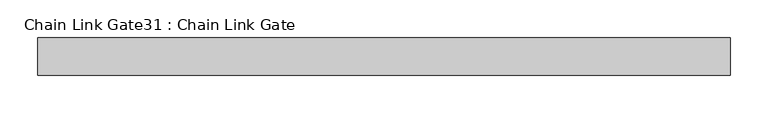
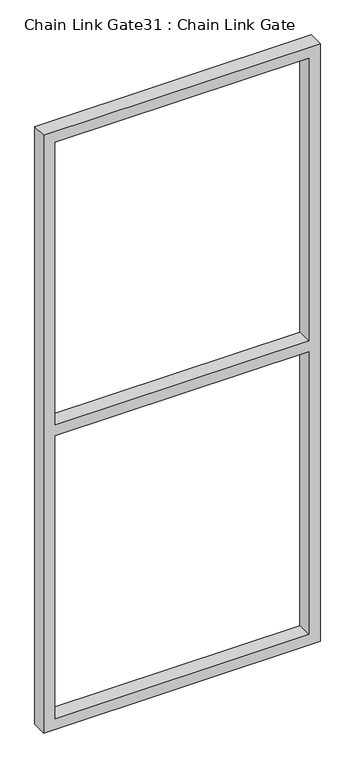
"""IFC4 building model written with IfcOpenShell, lengths in millimetres: proxy geometry, Chain Link Gate31 : Chain Link Gate."""

import ifcopenshell
import ifcopenshell.guid

model = None  # the IFC model being written
_history = None  # IfcOwnerHistory: only IFC2X3 demands one
_inside = {}  # id of a spatial element -> (the spatial element, [elements in it])
_under = {}  # id of a project, library or spatial element -> (it, [spatial elements below it])
_declared = {}  # id of a project -> (the project, [libraries it declares])
_typed = {}  # id of a type object -> (the type object, [elements of that type])
_made_of = {}  # id of a material, layer set ... -> (it, [elements and type objects made of it])


def new_model(schema):
    """Start an empty IFC model of exactly this schema.

    Asked for "IFC4X3", IfcOpenShell would pick the latest addendum, in which some entities
    have other attributes; the version numbers below select the first issue.
    IFC2X3 requires an IfcOwnerHistory on every rooted entity: one is made here for all.
    """
    global model, _history
    if schema == "IFC4X3":
        model = ifcopenshell.file(schema_version=(4, 3, 0, 0))
    else:
        model = ifcopenshell.file(schema=schema)
    _inside.clear()
    _under.clear()
    _declared.clear()
    _typed.clear()
    _made_of.clear()
    _history = None
    if model.schema == "IFC2X3":
        org = make("IfcOrganization", Name="unknown")
        user = make(
            "IfcPersonAndOrganization",
            ThePerson=make("IfcPerson", FamilyName="unknown"),
            TheOrganization=org,
        )
        app = make(
            "IfcApplication",
            ApplicationDeveloper=org,
            Version="unknown",
            ApplicationFullName="unknown",
            ApplicationIdentifier="unknown",
        )
        _history = make(
            "IfcOwnerHistory",
            OwningUser=user,
            OwningApplication=app,
            ChangeAction="ADDED",
            CreationDate=0,
        )
    return model


def make(cls, **values):
    """One entity of the class cls with the attributes given. An attribute that is None is left unset."""
    return model.create_entity(
        cls, **{name: value for name, value in values.items() if value is not None}
    )


def rooted(cls, **values):
    """An entity with a GlobalId (a new one), such as an element, a storey or a relation."""
    return make(cls, GlobalId=ifcopenshell.guid.new(), OwnerHistory=_history, **values)


def si_unit(unit_type, name, prefix=None):
    """IfcSIUnit, for example si_unit("LENGTHUNIT", "METRE", prefix="MILLI")."""
    return make("IfcSIUnit", UnitType=unit_type, Prefix=prefix, Name=name)


def assignment(units):
    """IfcUnitAssignment: the units of a project."""
    return None if units is None else make("IfcUnitAssignment", Units=units)


def point(xyz):
    """IfcCartesianPoint."""
    return None if xyz is None else make("IfcCartesianPoint", Coordinates=xyz)


def direction(xyz):
    """IfcDirection."""
    return None if xyz is None else make("IfcDirection", DirectionRatios=xyz)


def frame(location, z_axis=None, x_axis=None):
    """IfcAxis2Placement3D, a coordinate frame: its origin and axes. An axis left out is left unset."""
    return make(
        "IfcAxis2Placement3D",
        Location=point(location),
        Axis=direction(z_axis),
        RefDirection=direction(x_axis),
    )


def origin():
    """The frame at (0, 0, 0) with its axes left unset."""
    return frame((0.0, 0.0, 0.0))


def place(relative_to, where):
    """IfcLocalPlacement: puts the frame where relative to a parent placement (None: the world)."""
    return make(
        "IfcLocalPlacement", PlacementRelTo=relative_to, RelativePlacement=where
    )


def context(
    kind, dimensions, precision=None, world=None, true_north=None, identifier=None
):
    """IfcGeometricRepresentationContext, for example the 3D "Model" context."""
    return make(
        "IfcGeometricRepresentationContext",
        ContextIdentifier=identifier,
        ContextType=kind,
        CoordinateSpaceDimension=dimensions,
        Precision=precision,
        WorldCoordinateSystem=world,
        TrueNorth=true_north,
    )


def project(units=None, contexts=None):
    """IfcProject with its units and contexts."""
    return rooted(
        "IfcProject",
        Name="project",
        RepresentationContexts=contexts,
        UnitsInContext=assignment(units),
    )


def spatial(cls, under=None, at=None, **own):
    """A site, building, storey or space (cls), placed at a placement, below another one or the project."""
    s = rooted(cls, ObjectPlacement=at, **own)
    if under is not None:
        _under.setdefault(under.id(), (under, []))[1].append(s)
    return s


def polyline(points):
    """IfcPolyline through the points."""
    return make("IfcPolyline", Points=[point(p) for p in points])


def outline(outer, holes=None, kind="AREA"):
    """IfcArbitraryClosedProfileDef: a profile drawn as a closed curve; with holes, ...WithVoids."""
    if holes is None:
        return make("IfcArbitraryClosedProfileDef", ProfileType=kind, OuterCurve=outer)
    return make(
        "IfcArbitraryProfileDefWithVoids",
        ProfileType=kind,
        OuterCurve=outer,
        InnerCurves=holes,
    )


def extrude(swept, where, along, depth):
    """IfcExtrudedAreaSolid: the profile swept, set in the frame where, extruded along a direction by depth."""
    return make(
        "IfcExtrudedAreaSolid",
        SweptArea=swept,
        Position=where,
        ExtrudedDirection=direction(along),
        Depth=depth,
    )


def shape(context_of_items, identifier, shape_type, items):
    """IfcShapeRepresentation: the items that make up one representation, for example the "Body"."""
    return make(
        "IfcShapeRepresentation",
        ContextOfItems=context_of_items,
        RepresentationIdentifier=identifier,
        RepresentationType=shape_type,
        Items=items,
    )


def source(mapping_origin, context_of_items, identifier, shape_type, items):
    """IfcRepresentationMap: a shape defined once, which mapped items show again and again."""
    return make(
        "IfcRepresentationMap",
        MappingOrigin=mapping_origin,
        MappedRepresentation=shape(context_of_items, identifier, shape_type, items),
    )


def transform(
    local_origin,
    x_axis=None,
    y_axis=None,
    z_axis=None,
    scale=None,
    scale2=None,
    scale3=None,
    uniform=True,
):
    """IfcCartesianTransformationOperator3D, or its non-uniform kind. x_axis, y_axis, z_axis: its Axis1, 2, 3."""
    if uniform:
        return make(
            "IfcCartesianTransformationOperator3D",
            Axis1=direction(x_axis),
            Axis2=direction(y_axis),
            LocalOrigin=point(local_origin),
            Scale=scale,
            Axis3=direction(z_axis),
        )
    return make(
        "IfcCartesianTransformationOperator3DnonUniform",
        Axis1=direction(x_axis),
        Axis2=direction(y_axis),
        LocalOrigin=point(local_origin),
        Scale=scale,
        Axis3=direction(z_axis),
        Scale2=scale2,
        Scale3=scale3,
    )


def mapped(mapping_source, mapping_target):
    """IfcMappedItem: shows the shape of a source again, moved by a transform."""
    return make(
        "IfcMappedItem", MappingSource=mapping_source, MappingTarget=mapping_target
    )


def made_of(thing, what):
    """Note that an element or type object is made of a material, layer set ...; save() writes the relation."""
    if what is not None:
        _made_of.setdefault(what.id(), (what, []))[1].append(thing)
    return thing


def element(
    cls,
    number,
    at=None,
    inside=None,
    cuts=None,
    type_object=None,
    material=None,
    context=None,
    identifier="Body",
    shape_type=None,
    held_by="IfcProductDefinitionShape",
    body=None,
    shapes=None,
    **own,
):
    """One element of the class cls, such as IfcWall. Its Tag is "e" and its number.

    at: its placement. inside: the storey or other place that contains it. cuts: it is an
    opening in that element (IfcRelVoidsElement). A single representation is given by context,
    identifier, shape_type and body (its items); several are given by shapes. held_by: the class
    of the entity that holds the representations. save() writes the other relations.
    """
    e = rooted(cls, Tag="e%d" % number, ObjectPlacement=at, **own)
    if body is not None:
        shapes = [shape(context, identifier, shape_type, body)]
    if shapes is not None:
        e.Representation = make(held_by, Representations=shapes)
    if inside is not None:
        _inside.setdefault(inside.id(), (inside, []))[1].append(e)
    if cuts is not None:
        rooted(
            "IfcRelVoidsElement", RelatingBuildingElement=cuts, RelatedOpeningElement=e
        )
    if type_object is not None:
        _typed.setdefault(type_object.id(), (type_object, []))[1].append(e)
    return made_of(e, material)


def aggregate(whole, parts):
    """IfcRelAggregates: a whole, such as a stair, and the parts it consists of."""
    return rooted("IfcRelAggregates", RelatingObject=whole, RelatedObjects=parts)


def save(model, path):
    """Write the relations noted so far, then the file.

    IfcRelAggregates (storeys below a building ...), IfcRelContainedInSpatialStructure (elements
    in a storey), IfcRelDefinesByType, IfcRelAssociatesMaterial and IfcRelDeclares: one each for
    every whole, place, type object, material and project.
    """
    for whole, parts in _under.values():
        aggregate(whole, parts)
    for where, things in _inside.values():
        rooted(
            "IfcRelContainedInSpatialStructure",
            RelatedElements=things,
            RelatingStructure=where,
        )
    for kind, things in _typed.values():
        rooted("IfcRelDefinesByType", RelatedObjects=things, RelatingType=kind)
    for what, things in _made_of.values():
        rooted("IfcRelAssociatesMaterial", RelatedObjects=things, RelatingMaterial=what)
    for by, libraries in _declared.values():
        rooted("IfcRelDeclares", RelatingContext=by, RelatedDefinitions=libraries)
    model.write(path)


def chain_link_gate31_chain_link_gate_6df597e0(model_context):
    return source(origin(), model_context, "Body", "SweptSolid", [
        extrude(outline(polyline([(2120.9, -10833.1098205), (12.7, -10833.1098205), (12.7, -9909.1848205), (2120.9, -9909.1848205), (2120.9, -10833.1098205)]), holes=[polyline([(2082.8, -10795.0098205), (2082.8, -9947.2848205), (1085.85, -9947.2848205), (1085.85, -10795.0098205), (2082.8, -10795.0098205)]), polyline([(1047.75, -9947.2848205), (50.8, -9947.2848205), (50.8, -10795.0098205), (1047.75, -10795.0098205), (1047.75, -9947.2848205)])]), frame((0.0, -1117.8887923, 0.0), z_axis=(0.0, 1.0, 0.0), x_axis=(0.0, 0.0, 1.0)), (0.0, 0.0, 1.0), 50.1314753),
    ])


if __name__ == "__main__":
    model = new_model("IFC4")
    model_context = context("Model", 3, world=origin())
    ifc_project = project(units=[si_unit("LENGTHUNIT", "METRE", prefix="MILLI")], contexts=[model_context])
    site = spatial("IfcSite", under=ifc_project)
    building = spatial("IfcBuilding", under=site)
    placement = place(None, origin())
    chain_link_gate31_chain_link_gate_shape = chain_link_gate31_chain_link_gate_6df597e0(model_context)
    element("IfcBuildingElementProxy", 1, Name="Chain Link Gate31 : Chain Link Gate", ObjectType="Chain Link Gate31 : Chain Link Gate", at=placement, inside=building, context=model_context, shape_type="MappedRepresentation", body=[
        mapped(chain_link_gate31_chain_link_gate_shape, transform((0.0, 0.0, 0.0), x_axis=(1.0, 0.0, 0.0), y_axis=(0.0, 1.0, 0.0), z_axis=(0.0, 0.0, 1.0))),
    ])
    save(model, "model.ifc")
